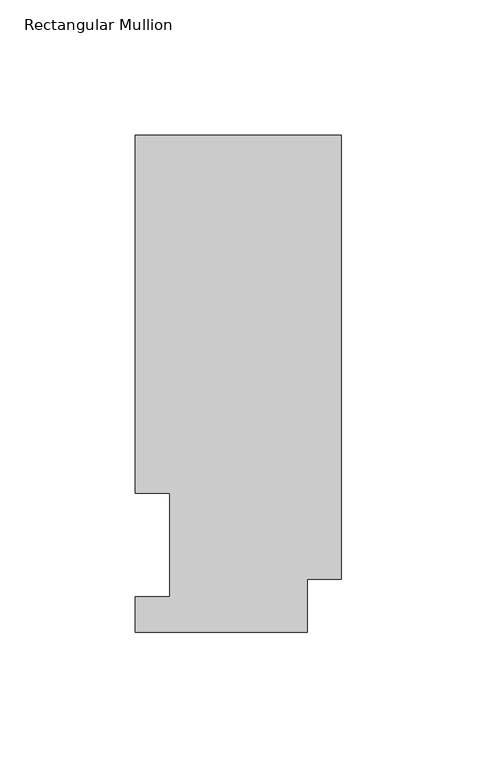
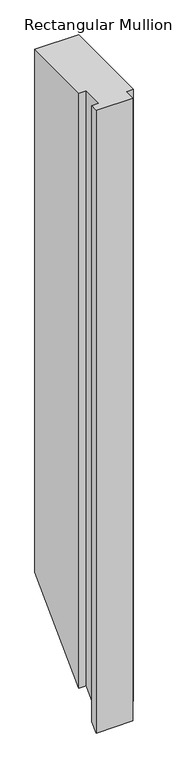
"""IFC4 building model written with IfcOpenShell, lengths in millimetres: member geometry, Rectangular Mullion."""

from ifc_helpers import new_model, si_unit, origin, place, context, project, spatial, faceted_brep, source, transform, mapped, element, save


def rectangular_mullion_951a5d17(model_context):
    return source(origin(), model_context, "Body", "Brep", [
        faceted_brep([(0.0, 183.6554938, 0.0), (-76.2000004, 183.6554938, 0.0), (-76.2000004, 51.2960938, 0.0), (-63.4943324, 51.2960938, 0.0), (-63.4943324, 13.1960937, 0.0), (-76.2000004, 13.1960937, 0.0), (-76.2000004, 0.0134937, 0.0), (-12.7, 0.0134937, 0.0), (-12.7, 19.5460937, 0.0), (0.0, 19.5460937, 0.0), (0.0, 19.5460937, -1123.4674), (0.0, 183.6554938, -959.358), (-12.7, 19.5460937, -1123.4674), (-12.7, 0.0134937, -1143.0), (-76.2000004, 0.0134937, -1143.0), (-76.2000004, 13.1960937, -1129.8174), (-63.4943324, 13.1960937, -1129.8174), (-63.4943324, 51.2960938, -1091.7174), (-76.2000004, 51.2960938, -1091.7174), (-76.2000004, 183.6554938, -959.358)], [[[0, 1, 2, 3, 4, 5, 6, 7, 8, 9]], [[0, 9, 10, 11]], [[9, 8, 12, 10]], [[8, 7, 13, 12]], [[7, 6, 14, 13]], [[6, 5, 15, 14]], [[5, 4, 16, 15]], [[4, 3, 17, 16]], [[3, 2, 18, 17]], [[2, 1, 19, 18]], [[1, 0, 11, 19]], [[11, 10, 12, 13, 14, 15, 16, 17, 18, 19]]]),
    ])


if __name__ == "__main__":
    model = new_model("IFC4")
    model_context = context("Model", 3, world=origin())
    ifc_project = project(units=[si_unit("LENGTHUNIT", "METRE", prefix="MILLI")], contexts=[model_context])
    site = spatial("IfcSite", under=ifc_project)
    building = spatial("IfcBuilding", under=site)
    placement = place(None, origin())
    rectangular_mullion_shape = rectangular_mullion_951a5d17(model_context)
    element("IfcMember", 1, ObjectType="Rectangular Mullion", at=placement, inside=building, context=model_context, shape_type="MappedRepresentation", body=[
        mapped(rectangular_mullion_shape, transform((0.0, 0.0, 0.0), x_axis=(1.0, 0.0, 0.0), y_axis=(0.0, 1.0, 0.0), z_axis=(0.0, 0.0, 1.0))),
    ])
    save(model, "model.ifc")
